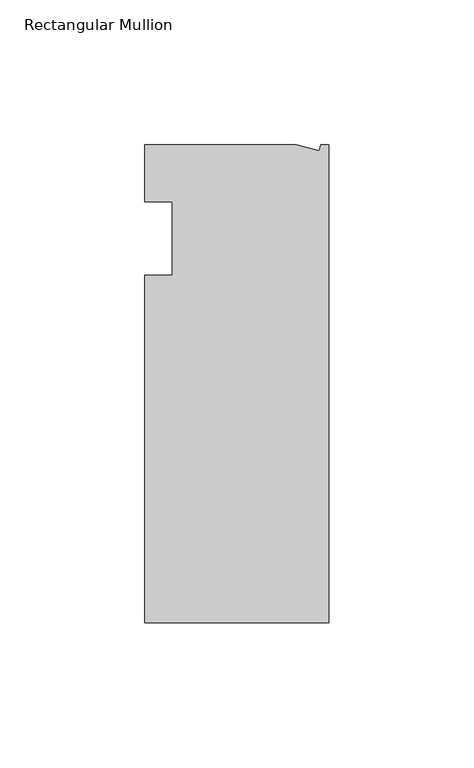
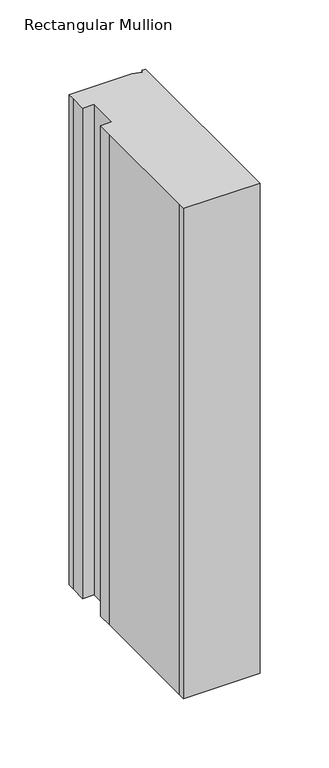
"""IFC4 building model written with IfcOpenShell, lengths in millimetres: member geometry, Rectangular Mullion."""

from ifc_helpers import new_model, si_unit, frame, origin, place, context, project, spatial, polyline, outline, extrude, source, transform, mapped, element, save


def rectangular_mullion_b84abb02(model_context):
    return source(origin(), model_context, "Body", "SweptSolid", [
        extrude(outline(polyline([(-11.1265412, 19.6597595), (-3.3457217, 17.5748952), (-2.787084, 19.6597595), (0.0, 19.6597595), (0.0, -145.4402405), (-63.5, -145.4402405), (-63.5, -139.0912527), (-63.5, -38.3358837), (-63.5, -25.4), (-53.975, -25.4), (-53.975, 0.0), (-63.5, 0.0), (-63.5, 13.6146679), (-63.5, 19.6597595), (-11.1265412, 19.6597595)])), frame((0.0, 0.0, -431.8), z_axis=(0.0, 0.0, 1.0), x_axis=(1.0, 0.0, 0.0)), (0.0, 0.0, 1.0), 431.8),
    ])


if __name__ == "__main__":
    model = new_model("IFC4")
    model_context = context("Model", 3, world=origin())
    ifc_project = project(units=[si_unit("LENGTHUNIT", "METRE", prefix="MILLI")], contexts=[model_context])
    site = spatial("IfcSite", under=ifc_project)
    building = spatial("IfcBuilding", under=site)
    placement = place(None, origin())
    rectangular_mullion_shape = rectangular_mullion_b84abb02(model_context)
    element("IfcMember", 1, ObjectType="Rectangular Mullion", at=placement, inside=building, context=model_context, shape_type="MappedRepresentation", body=[
        mapped(rectangular_mullion_shape, transform((0.0, 0.0, 0.0), x_axis=(1.0, 0.0, 0.0), y_axis=(0.0, 1.0, 0.0), z_axis=(0.0, 0.0, 1.0))),
    ])
    save(model, "model.ifc")
